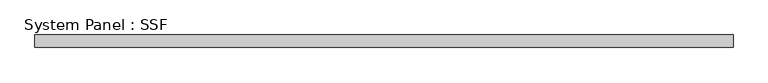
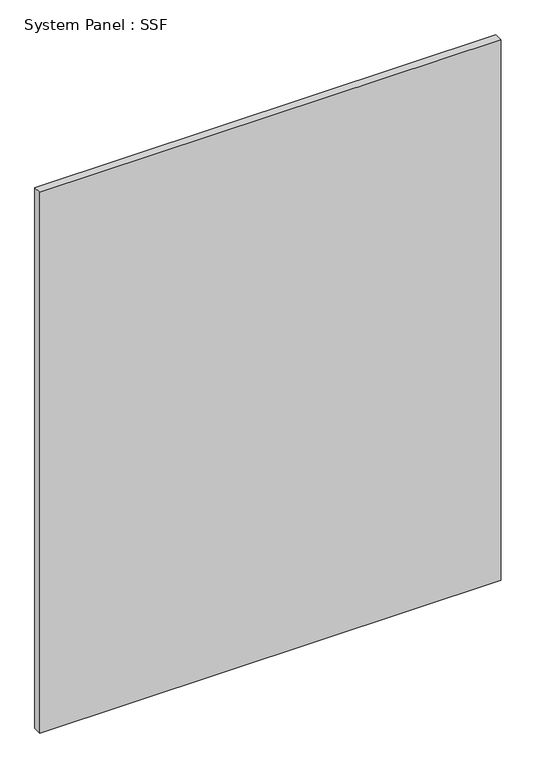
"""IFC4 building model written with IfcOpenShell, lengths in millimetres: plate geometry, System Panel : SSF."""

from ifc_helpers import new_model, si_unit, origin, origin_with_axes, place, context, project, spatial, polyline, outline, extrude, source, transform, mapped, element, save


def system_panel_ssf_b7d2707d(model_context):
    return source(origin(), model_context, "Body", "SweptSolid", [
        extrude(outline(polyline([(704.85, -43.65625), (-704.85, -43.65625), (-704.85, -18.25625), (704.85, -18.25625), (704.85, -43.65625)])), origin_with_axes(), (0.0, 0.0, 1.0), 1746.25),
    ])


if __name__ == "__main__":
    model = new_model("IFC4")
    model_context = context("Model", 3, world=origin())
    ifc_project = project(units=[si_unit("LENGTHUNIT", "METRE", prefix="MILLI")], contexts=[model_context])
    site = spatial("IfcSite", under=ifc_project)
    building = spatial("IfcBuilding", under=site)
    placement = place(None, origin())
    system_panel_ssf_shape = system_panel_ssf_b7d2707d(model_context)
    element("IfcPlate", 1, ObjectType="System Panel : SSF", at=placement, inside=building, context=model_context, shape_type="MappedRepresentation", body=[
        mapped(system_panel_ssf_shape, transform((0.0, 0.0, 0.0), x_axis=(1.0, 0.0, 0.0), y_axis=(0.0, 1.0, 0.0), z_axis=(0.0, 0.0, 1.0))),
    ])
    save(model, "model.ifc")
